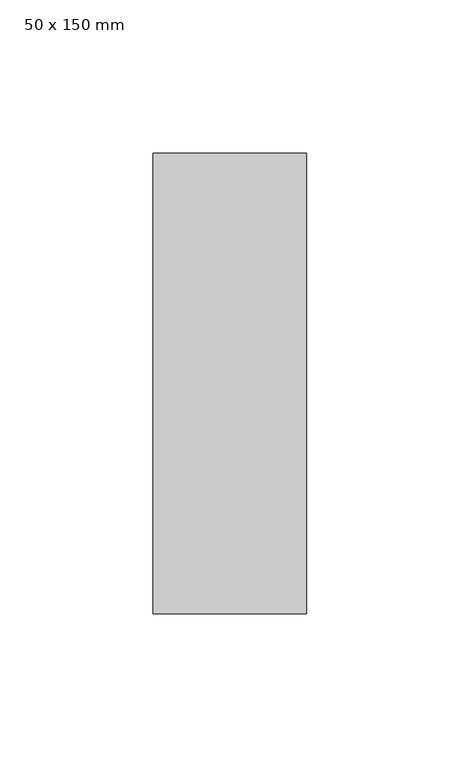
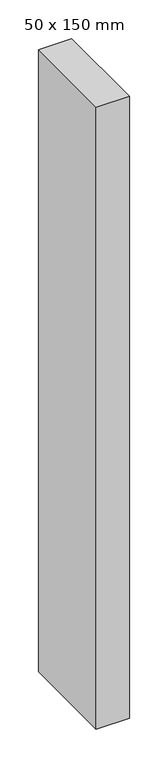
"""IFC4 building model written with IfcOpenShell, lengths in millimetres: member geometry, 50 x 150 mm."""

from ifc_helpers import new_model, si_unit, frame, origin, place, context, project, spatial, polyline, outline, extrude, source, transform, mapped, element, save


def member_50_x_150_mm_8990f24c(model_context):
    return source(origin(), model_context, "Body", "SweptSolid", [
        extrude(outline(polyline([(25.0, 75.0), (25.0, -75.0), (-25.0, -75.0), (-25.0, 75.0), (25.0, 75.0)])), frame((0.0, 0.0, -985.0), z_axis=(0.0, 0.0, 1.0), x_axis=(1.0, 0.0, 0.0)), (0.0, 0.0, 1.0), 985.0),
    ])


if __name__ == "__main__":
    model = new_model("IFC4")
    model_context = context("Model", 3, world=origin())
    ifc_project = project(units=[si_unit("LENGTHUNIT", "METRE", prefix="MILLI")], contexts=[model_context])
    site = spatial("IfcSite", under=ifc_project)
    building = spatial("IfcBuilding", under=site)
    placement = place(None, origin())
    member_50_x_150_mm_shape = member_50_x_150_mm_8990f24c(model_context)
    element("IfcMember", 1, ObjectType="50 x 150 mm", at=placement, inside=building, context=model_context, shape_type="MappedRepresentation", body=[
        mapped(member_50_x_150_mm_shape, transform((0.0, 0.0, 0.0), x_axis=(1.0, 0.0, 0.0), y_axis=(0.0, 1.0, 0.0), z_axis=(0.0, 0.0, 1.0))),
    ])
    save(model, "model.ifc")
